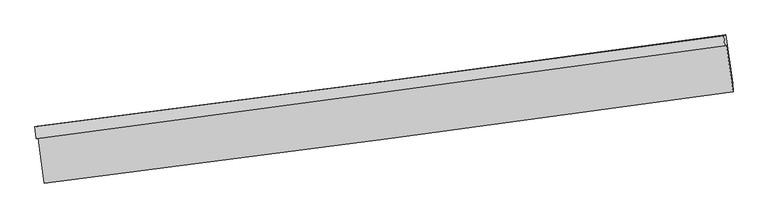
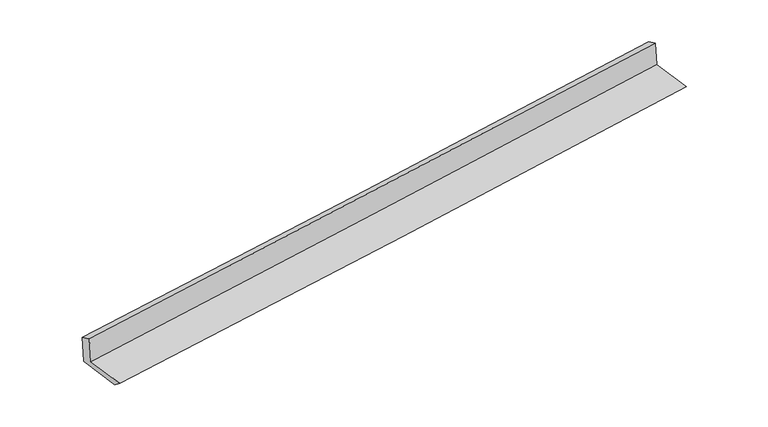
"""IFC4 building model written with IfcOpenShell, lengths in millimetres: proxy geometry."""

from ifc_helpers import new_model, si_unit, frame, origin, place, context, project, spatial, source, transform, mapped, element, save
from ifc_brep_helpers import plane_surface, spline_curve, spline_surface, advanced_brep


def generic_models_e91f0295(model_context):
    return source(origin(), model_context, "Body", "AdvancedBrep", [
        advanced_brep(
        [(-4751.6871717, -2148.4586113, 1889.4806951), (-4722.5822333, -2139.6511084, 1505.3909437), (4689.7379012, -871.2877006, 2267.7698994), (4662.1437634, -879.6380171, 2631.9220365), (-4768.6539728, -1986.7433379, 1826.0652086), (4647.8883904, -737.7365322, 2568.2576653), (-4737.4311909, -1977.2949502, 1414.0268679), (4677.6003716, -728.7453309, 2176.1569389), (-4646.5742064, -2641.2333059, 1405.6870149), (4768.4573561, -1392.6836866, 2167.8170859), (-4638.5539756, -2753.6884724, 1497.6779064), (4776.477587, -1505.1388531, 2259.8079774)],
        [
            (0, 1),
            (1, 2, spline_curve(3, [(-4722.5822333, -2139.6511084, 1505.3909437), (-3157.359010682, -1932.007574064, 1625.443865582), (-1592.604385651, -1722.792245941, 1748.81282173), (1544.840990749, -1300.022325671, 2002.901413324), (3117.526410006, -1086.449851003, 2133.65877623), (4689.7379012, -871.2877006, 2267.7698994)], [4, 2, 4], [0.0, 15.585621394784289, 31.259651298351038])),
            (2, 3),
            (3, 0, spline_curve(3, [(4662.1437634, -879.6380171, 2631.9220365), (3089.176159616, -1095.028976469, 2507.789118322), (1515.987140382, -1308.753846621, 2383.677627158), (-1621.958995835, -1731.675302219, 2136.197420669), (-3186.713620866, -1940.890630342, 2012.828465141), (-4751.6871717, -2148.4586113, 1889.4806951)], [4, 2, 4], [0.0, 15.67402990356675, 31.259651298351038])),
            (4, 0),
            (3, 5),
            (5, 4, spline_curve(3, [(4647.8883904, -737.7365322, 2568.2576653), (3075.376540403, -956.457914226, 2444.082913329), (1502.187520747, -1170.182784343, 2319.971421473), (-1636.667551548, -1586.462179764, 2072.574647988), (-3202.325986029, -1789.072911812, 1949.288653419), (-4768.6539728, -1986.7433379, 1826.0652086)], [4, 2, 4], [0.0, 15.674067799912322, 31.259726877289918])),
            (6, 4),
            (5, 7),
            (7, 6, spline_curve(3, [(4677.6003716, -728.7453309, 2176.1569389), (3105.844633788, -947.237904212, 2042.003981656), (1533.15921441, -1160.810378466, 1911.246618797), (-1605.195097861, -1576.938238812, 1657.241459295), (-3170.853532518, -1779.548970336, 1533.955465035), (-4737.4311909, -1977.2949502, 1414.0268679)], [4, 2, 4], [0.0, 15.674180937157267, 31.259952513635362])),
            (8, 6),
            (7, 9),
            (9, 8, spline_curve(3, [(4768.4573561, -1392.6836866, 2167.8170859), (3196.701618427, -1611.176259686, 2033.66412868), (1624.016198655, -1824.748734196, 1902.906765943), (-1514.338113108, -2240.876594483, 1648.901606149), (-3079.996547904, -2443.487326192, 1525.615611969), (-4646.5742064, -2641.2333059, 1405.6870149)], [4, 2, 4], [0.0, 15.674237217721876, 31.26006475731713])),
            (10, 8),
            (9, 11),
            (11, 10, spline_curve(3, [(4776.477587, -1505.1388531, 2259.8079774), (3204.721849327, -1723.631426186, 2125.65502018), (1632.036429555, -1937.203900696, 1994.897657443), (-1506.317882208, -2353.331760983, 1740.892497649), (-3071.976317104, -2555.942492692, 1617.606503469), (-4638.5539756, -2753.6884724, 1497.6779064)], [4, 2, 4], [0.0, 15.674237217721876, 31.26006475731713])),
            (1, 10),
            (11, 2),
        ],
        [
            spline_surface(3, 3, [[(-4751.6871717, -2148.4586113, 1889.4806951), (-3186.713620999, -1940.890630436, 2012.828465157), (-1621.95899561, -1731.675302468, 2136.19742086), (1515.987140155, -1308.75384637, 2383.677626966), (3089.176159787, -1095.02897626, 2507.789118388), (4662.1437634, -879.6380171, 2631.9220365)], [(-4741.985525577, -2145.522777008, 1761.450777978), (-3176.92875097, -1937.929611594, 1883.700265382), (-1612.174125582, -1728.714283626, 2007.069221085), (1525.605090291, -1305.843339486, 2256.752222439), (3098.626243188, -1092.16926786, 2383.079004334), (4671.341809317, -876.85457826, 2510.537990795)], [(-4732.283879423, -2142.586942692, 1633.420860822), (-3167.143880912, -1934.968592729, 1754.572065574), (-1602.389255524, -1725.75326476, 1877.941021377), (1535.223040457, -1302.932832579, 2129.826817979), (3108.076326637, -1089.309559478, 2258.368890293), (4680.539855283, -874.07113944, 2389.153945105)], [(-4722.5822333, -2139.6511084, 1505.3909437), (-3157.359010884, -1932.007573886, 1625.443865799), (-1592.604385496, -1722.792245918, 1748.812821602), (1544.840990593, -1300.022325694, 2002.901413452), (3117.526410038, -1086.449851078, 2133.658776239), (4689.7379012, -871.2877006, 2267.7698994)]], [4, 4], [4, 2, 4], [0.0, 1.2639874813067442], [0.0, 15.585621394784289, 31.259651298351038]),
            spline_surface(3, 3, [[(-4768.6539728, -1986.7433379, 1826.0652086), (-3202.325986155, -1789.072911727, 1949.288653635), (-1636.66755136, -1586.462179931, 2072.574647755), (1502.187520557, -1170.182784175, 2319.971421708), (3075.376540189, -956.457914064, 2444.082913131), (4647.8883904, -737.7365322, 2568.2576653)], [(-4762.998372434, -2040.648429024, 1847.203704105), (-3197.121864437, -1839.678817954, 1970.468590814), (-1631.764699424, -1634.866554103, 2093.782238786), (1506.787393776, -1216.373138234, 2341.206823458), (3079.976413408, -1002.648268123, 2465.31831488), (4652.640181419, -785.03702716, 2589.479122363)], [(-4757.342772066, -2094.553520176, 1868.342199595), (-3191.917742717, -1890.284724209, 1991.648527978), (-1626.861847546, -1683.270928296, 2114.989829828), (1511.387266937, -1262.563492312, 2362.442225217), (3084.576286569, -1048.838622201, 2486.553716639), (4657.391972381, -832.33752214, 2610.700579437)], [(-4751.6871717, -2148.4586113, 1889.4806951), (-3186.713620999, -1940.890630436, 2012.828465157), (-1621.95899561, -1731.675302468, 2136.19742086), (1515.987140155, -1308.75384637, 2383.677626966), (3089.176159787, -1095.02897626, 2507.789118388), (4662.1437634, -879.6380171, 2631.9220365)]], [4, 4], [4, 2, 4], [0.0, 0.5123193120866103], [0.0, 15.585659077377596, 31.259726877289918]),
            spline_surface(3, 3, [[(-4737.4311909, -1977.2949502, 1414.0268679), (-3170.85353254, -1779.548970376, 1533.955464977), (-1605.195097845, -1576.93823858, 1657.241459197), (1533.159214395, -1160.810378699, 1911.246618894), (3105.844633839, -947.237904083, 2042.003981681), (4677.6003716, -728.7453309, 2176.1569389)], [(-4747.838784845, -1980.444412757, 1551.372981463), (-3181.34435039, -1782.723617483, 1672.399861193), (-1615.685915695, -1580.112885687, 1795.685855412), (1522.835316437, -1163.934513848, 2047.488219862), (3095.688602617, -950.311240747, 2176.030292176), (4667.696377861, -731.742398004, 2306.857181045)], [(-4758.246378855, -1983.593875343, 1688.719095037), (-3191.835168305, -1785.89826462, 1810.84425742), (-1626.17673351, -1583.287532824, 1934.13025154), (1512.511418514, -1167.058649026, 2183.729820741), (3085.532571411, -953.3845774, 2310.056602636), (4657.792384139, -734.739465096, 2437.557423155)], [(-4768.6539728, -1986.7433379, 1826.0652086), (-3202.325986155, -1789.072911727, 1949.288653635), (-1636.66755136, -1586.462179931, 2072.574647755), (1502.187520557, -1170.182784175, 2319.971421708), (3075.376540189, -956.457914064, 2444.082913131), (4647.8883904, -737.7365322, 2568.2576653)]], [4, 4], [4, 2, 4], [0.0, 1.355969245709741], [0.0, 15.585771576478095, 31.259952513635362]),
            spline_surface(3, 3, [[(-4646.5742064, -2641.2333059, 1405.6870149), (-3079.99654804, -2443.487326076, 1525.615611977), (-1514.338113345, -2240.87659428, 1648.901606197), (1624.016198895, -1824.748734399, 1902.906765894), (3196.701618339, -1611.176259783, 2033.664128681), (4768.4573561, -1392.6836866, 2167.8170859)], [(-4676.859867908, -2419.920520665, 1408.466965881), (-3110.282209548, -2222.174540841, 1528.395562958), (-1544.623774853, -2019.563809045, 1651.681557178), (1593.730537386, -1603.435949164, 1905.686716875), (3166.415956831, -1389.863474547, 2036.444079662), (4738.171694592, -1171.370901365, 2170.597036881)], [(-4707.145529392, -2198.607735435, 1411.246916919), (-3140.567871032, -2000.861755611, 1531.175513997), (-1574.909436337, -1798.251023815, 1654.461508216), (1563.444875903, -1382.123163934, 1908.466667913), (3136.130295347, -1168.550689318, 2039.2240307), (4707.886033108, -950.058116135, 2173.376987919)], [(-4737.4311909, -1977.2949502, 1414.0268679), (-3170.85353254, -1779.548970376, 1533.955464977), (-1605.195097845, -1576.93823858, 1657.241459197), (1533.159214395, -1160.810378699, 1911.246618894), (3105.844633839, -947.237904083, 2042.003981681), (4677.6003716, -728.7453309, 2176.1569389)]], [4, 4], [4, 2, 4], [0.0, 2.1987470453867997], [0.0, 15.585827539595256, 31.26006475731713]),
            spline_surface(3, 3, [[(-4638.5539756, -2753.6884724, 1497.6779064), (-3071.97631724, -2555.942492576, 1617.606503477), (-1506.317882445, -2353.33176078, 1740.892497697), (1632.036429795, -1937.203900899, 1994.897657394), (3204.721849239, -1723.631426283, 2125.655020181), (4776.477587, -1505.1388531, 2259.8079774)], [(-4641.227385884, -2716.203416911, 1467.014275915), (-3074.649727525, -2518.457437087, 1586.942872992), (-1508.991292729, -2315.846705291, 1710.228867212), (1629.36301951, -1899.71884541, 1964.234026909), (3202.048438955, -1686.146370794, 2094.991389696), (4773.804176716, -1467.653797611, 2229.144346915)], [(-4643.900796116, -2678.718361389, 1436.350645385), (-3077.323137756, -2480.972381565, 1556.279242463), (-1511.664703061, -2278.361649769, 1679.565236683), (1626.689609179, -1862.233789888, 1933.57039638), (3199.375028623, -1648.661315272, 2064.327759166), (4771.130766384, -1430.168742089, 2198.480716385)], [(-4646.5742064, -2641.2333059, 1405.6870149), (-3079.99654804, -2443.487326076, 1525.615611977), (-1514.338113345, -2240.87659428, 1648.901606197), (1624.016198895, -1824.748734399, 1902.906765894), (3196.701618339, -1611.176259783, 2033.664128681), (4768.4573561, -1392.6836866, 2167.8170859)]], [4, 4], [4, 2, 4], [0.0, 0.47739109642270516], [0.0, 15.585827539595256, 31.26006475731713]),
            spline_surface(3, 3, [[(-4722.5822333, -2139.6511084, 1505.3909437), (-3157.359010884, -1932.007573886, 1625.443865799), (-1592.604385496, -1722.792245918, 1748.812821602), (1544.840990593, -1300.022325694, 2002.901413452), (3117.526410038, -1086.449851078, 2133.658776239), (4689.7379012, -871.2877006, 2267.7698994)], [(-4694.572814052, -2344.330229736, 1502.819931259), (-3128.898112988, -2139.985880118, 1622.831411685), (-1563.842217818, -1932.972084205, 1746.172713635), (1573.906136988, -1512.416184096, 2000.233494767), (3146.591556433, -1298.843709479, 2130.990857554), (4718.651129794, -1082.5714181, 2265.115925401)], [(-4666.563394848, -2549.009351064, 1500.248918841), (-3100.437215136, -2347.964186344, 1620.218957592), (-1535.080050123, -2143.151922493, 1743.532605665), (1602.9712834, -1724.810042498, 1997.56557608), (3175.656702844, -1511.237567881, 2128.322938866), (4747.564358406, -1293.8551356, 2262.461951399)], [(-4638.5539756, -2753.6884724, 1497.6779064), (-3071.97631724, -2555.942492576, 1617.606503477), (-1506.317882445, -2353.33176078, 1740.892497697), (1632.036429795, -1937.203900899, 1994.897657394), (3204.721849239, -1723.631426283, 2125.655020181), (4776.477587, -1505.1388531, 2259.8079774)]], [4, 4], [4, 2, 4], [0.0, 2.099201104264392], [0.0, 15.585733695019922, 31.2598765358387]),
            plane_surface(frame((4703.7175616, -1019.2050201, 2345.2886006), z_axis=(0.9878836463301238, 0.1342084780312564, 0.07793577957544648), x_axis=(-0.13557140199160903, 0.9906894245966724, 0.01244423377889385))),
            plane_surface(frame((-4710.9137918, -2274.511631, 1589.7214394), z_axis=(-0.9878836463301289, -0.1342084780312073, -0.07793577957546724), x_axis=(-0.07554003094738336, -0.02285931794362952, 0.9968807126771089))),
        ],
        [
            (0, [[1, 2, 3, 4]]),
            (1, [[5, -4, 6, 7]]),
            (2, [[8, -7, 9, 10]]),
            (3, [[11, -10, 12, 13]]),
            (4, [[14, -13, 15, 16]]),
            (5, [[17, -16, 18, -2]]),
            (6, [[-12, -9, -6, -3, -18, -15]]),
            (7, [[-1, -5, -8, -11, -14, -17]]),
        ],
    ),
    ])


if __name__ == "__main__":
    model = new_model("IFC4")
    model_context = context("Model", 3, world=origin())
    ifc_project = project(units=[si_unit("LENGTHUNIT", "METRE", prefix="MILLI")], contexts=[model_context])
    site = spatial("IfcSite", under=ifc_project)
    building = spatial("IfcBuilding", under=site)
    placement = place(None, origin())
    generic_models_shape = generic_models_e91f0295(model_context)
    element("IfcBuildingElementProxy", 1, Name="Generic Models", at=placement, inside=building, context=model_context, shape_type="MappedRepresentation", body=[
        mapped(generic_models_shape, transform((0.0, 0.0, 0.0), x_axis=(1.0, 0.0, 0.0), y_axis=(0.0, 1.0, 0.0), z_axis=(0.0, 0.0, 1.0))),
    ])
    save(model, "model.ifc")
